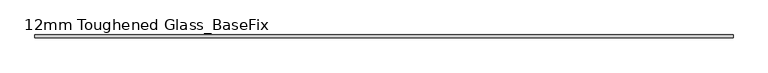
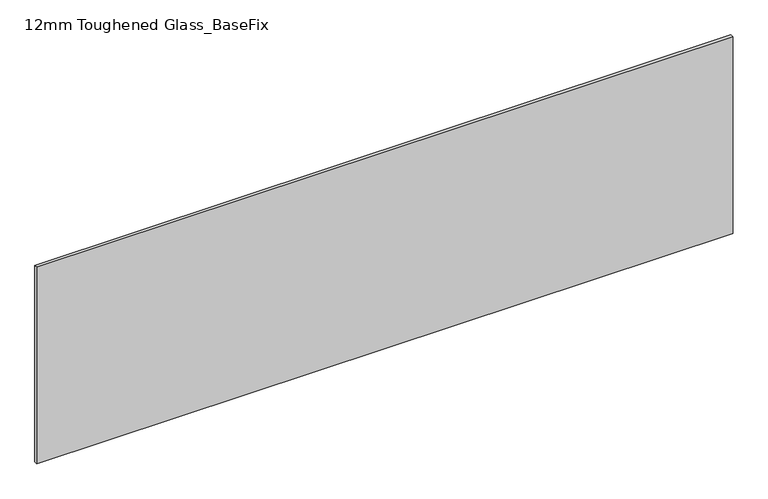
"""IFC4 building model written with IfcOpenShell, lengths in millimetres: plate geometry, 12mm Toughened Glass_BaseFix."""

from ifc_helpers import new_model, si_unit, origin, origin_with_axes, place, context, project, spatial, polyline, outline, extrude, source, transform, mapped, element, save


def plate_12mm_toughened_glass_basefix_cfc308bc(model_context):
    return source(origin(), model_context, "Body", "SweptSolid", [
        extrude(outline(polyline([(1420.0, 6.0), (1420.0, -6.0), (-1420.0, -6.0), (-1420.0, 6.0), (1420.0, 6.0)])), origin_with_axes(), (0.0, 0.0, 1.0), 849.0),
    ])


if __name__ == "__main__":
    model = new_model("IFC4")
    model_context = context("Model", 3, world=origin())
    ifc_project = project(units=[si_unit("LENGTHUNIT", "METRE", prefix="MILLI")], contexts=[model_context])
    site = spatial("IfcSite", under=ifc_project)
    building = spatial("IfcBuilding", under=site)
    placement = place(None, origin())
    plate_12mm_toughened_glass_basefix_shape = plate_12mm_toughened_glass_basefix_cfc308bc(model_context)
    element("IfcPlate", 1, ObjectType="12mm Toughened Glass_BaseFix", at=placement, inside=building, context=model_context, shape_type="MappedRepresentation", body=[
        mapped(plate_12mm_toughened_glass_basefix_shape, transform((0.0, 0.0, 0.0), x_axis=(1.0, 0.0, 0.0), y_axis=(0.0, 1.0, 0.0), z_axis=(0.0, 0.0, 1.0))),
    ])
    save(model, "model.ifc")
